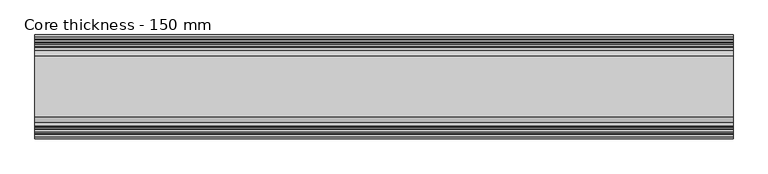
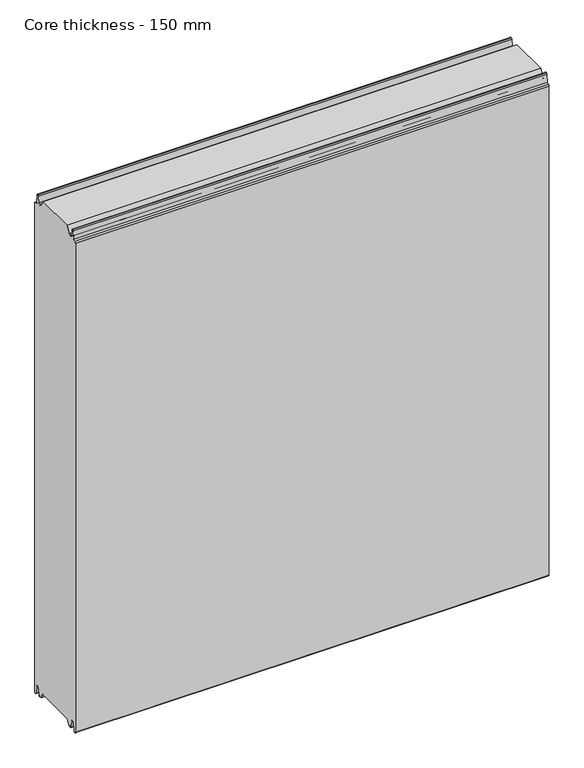
"""IFC4 building model written with IfcOpenShell, lengths in millimetres: plate geometry, Core thickness - 150 mm."""

from ifc_helpers import new_model, si_unit, frame, origin, place, context, project, spatial, polyline, circle_curve, source, transform, mapped, element, save
from ifc_brep_helpers import plane_surface, cylinder_surface, revolved_surface, advanced_brep


def core_thickness_150_mm_d4bca5d6(model_context):
    return source(origin(), model_context, "Body", "AdvancedBrep", [
        advanced_brep(
        [(500.0000002, -119.873448, 15.0417681), (500.0000002, -30.126552, 15.0417681), (500.0000002, -23.4086055, 3.0684055), (500.0000002, -17.4169005, 3.0684055), (500.0000002, -19.6169005, 5.265779), (500.0000002, -18.8169005, 5.265779), (500.0000002, -16.0235822, 5.1291629), (500.0000002, -14.6379549, 19.2608832), (500.0000002, -10.8223285, 22.6899182), (500.0000002, -7.0067021, 19.2608832), (500.0000002, -5.3893281, 2.7656275), (500.0000002, -0.8003051, 2.9900682), (500.0000002, -0.8, 1093.8000005), (500.0000002, -3.3660185, 1096.1942726), (500.0000002, -6.8790665, 1099.1779769), (500.0000002, -8.5415667, 1116.1334653), (500.0000002, -10.8223285, 1118.1999998), (500.0000002, -13.1030903, 1116.1334653), (500.0000002, -14.4357929, 1102.5415123), (500.0000002, -17.0233841, 1100.1952279), (500.0000002, -18.1003051, 1100.1952279), (500.0000002, -18.7003051, 1099.5952279), (500.0000002, -18.7003051, 1098.4952279), (500.0000002, -19.5003051, 1098.4952279), (500.0000002, -19.5003051, 1099.5952279), (500.0000002, -18.1003051, 1100.9952279), (500.0000002, -19.5003051, 1100.9952279), (500.0000002, -23.1062917, 1100.9952279), (500.0000002, -31.1628062, 1115.044651), (500.0000002, -118.7531937, 1115.044651), (500.0000002, -126.8937083, 1100.9952279), (500.0000002, -130.4996949, 1100.9952279), (500.0000002, -131.8996949, 1100.9952279), (500.0000002, -130.4996949, 1099.5952279), (500.0000002, -130.4996949, 1098.4952279), (500.0000002, -131.2996949, 1098.4952279), (500.0000002, -131.2996949, 1099.5952279), (500.0000002, -131.8996949, 1100.1952279), (500.0000002, -132.9766159, 1100.1952279), (500.0000002, -135.5642071, 1102.5415123), (500.0000002, -136.8969097, 1116.1334653), (500.0000002, -139.1776715, 1118.1999998), (500.0000002, -141.4584333, 1116.1334653), (500.0000002, -143.1209335, 1099.1779769), (500.0000002, -146.6330399, 1096.2078763), (500.0000002, -149.1996949, 1093.8000005), (500.0000002, -149.2, 2.9900682), (500.0000002, -144.6106719, 2.7656275), (500.0000002, -142.9932979, 19.2608832), (500.0000002, -139.1776715, 22.6899182), (500.0000002, -135.3620451, 19.2608832), (500.0000002, -133.9764178, 5.1291629), (500.0000002, -131.1830995, 5.265779), (500.0000002, -130.3830995, 5.265779), (500.0000002, -132.5830995, 3.065779), (500.0000002, -126.5913945, 3.0684055), (-500.0000002, -126.8937083, 1100.9952279), (-500.0000002, -118.7531937, 1115.044651), (-500.0000002, -31.1628062, 1115.044651), (-500.0000002, -23.1062917, 1100.9952279), (-500.0000002, -19.5003051, 1100.9952279), (-500.0000002, -18.1003051, 1100.9952279), (-500.0000002, -19.5003051, 1099.5952279), (-500.0000002, -19.5003051, 1098.4952279), (-500.0000002, -18.7003051, 1098.4952279), (-500.0000002, -18.7003051, 1099.5952279), (-500.0000002, -18.1003051, 1100.1952279), (-500.0000002, -17.0233841, 1100.1952279), (-500.0000002, -14.4357929, 1102.5415123), (-500.0000002, -13.1030903, 1116.1334653), (-500.0000002, -10.8223285, 1118.1999998), (-500.0000002, -8.5415667, 1116.1334653), (-500.0000002, -6.8790665, 1099.1779769), (-500.0000002, -3.3669601, 1096.2078763), (-500.0000002, -0.8003051, 1093.8000005), (-500.0000002, -0.8, 2.9900682), (-500.0000002, -5.3893281, 2.7656275), (-500.0000002, -7.0067021, 19.2608832), (-500.0000002, -10.8223285, 22.6899182), (-500.0000002, -14.6379549, 19.2608832), (-500.0000002, -16.0235822, 5.1291629), (-500.0000002, -18.8169005, 5.265779), (-500.0000002, -19.6169005, 5.265779), (-500.0000002, -17.4169005, 3.065779), (-500.0000002, -23.4086055, 3.0684055), (-500.0000002, -30.126552, 15.0417681), (-500.0000002, -119.873448, 15.0417681), (-500.0000002, -126.5913945, 3.0684055), (-500.0000002, -132.5830995, 3.0684055), (-500.0000002, -130.3830995, 5.265779), (-500.0000002, -131.1830995, 5.265779), (-500.0000002, -133.9764178, 5.1291629), (-500.0000002, -135.3620451, 19.2608832), (-500.0000002, -139.1776715, 22.6899182), (-500.0000002, -142.9932979, 19.2608832), (-500.0000002, -144.6106719, 2.7656275), (-500.0000002, -149.1996949, 2.9900682), (-500.0000002, -149.2, 1093.8000005), (-500.0000002, -146.6339815, 1096.1942726), (-500.0000002, -143.1209335, 1099.1779769), (-500.0000002, -141.4584333, 1116.1334653), (-500.0000002, -139.1776715, 1118.1999998), (-500.0000002, -136.8969097, 1116.1334653), (-500.0000002, -135.5642071, 1102.5415123), (-500.0000002, -132.9766159, 1100.1952279), (-500.0000002, -131.8996949, 1100.1952279), (-500.0000002, -131.2996949, 1099.5952279), (-500.0000002, -131.2996949, 1098.4952279), (-500.0000002, -130.4996949, 1098.4952279), (-500.0000002, -130.4996949, 1099.5952279), (-500.0000002, -131.8996949, 1100.9952279), (-500.0000002, -130.4996949, 1100.9952279)],
        [
            (0, 1),
            (1, 2),
            (2, 3),
            (3, 4, circle_curve(frame((500.0000002, -17.4169005, 5.265779), z_axis=(-1.0, 0.0, 0.0), x_axis=(0.0, 0.0, -1.0)), 2.2)),
            (4, 5),
            (5, 6, circle_curve(frame((500.0000002, -17.4169005, 5.265779), z_axis=(1.0, 0.0, 0.0), x_axis=(0.0, 0.0, -1.0)), 1.4)),
            (6, 7),
            (7, 8, circle_curve(frame((500.0000002, -10.8560907, 18.8900682), z_axis=(-1.0, 0.0, 0.0), x_axis=(0.0, 0.0, -1.0)), 3.8)),
            (8, 9, circle_curve(frame((500.0000002, -10.7885662, 18.8900682), z_axis=(-1.0, 0.0, 0.0), x_axis=(0.0, 0.0, -1.0)), 3.8)),
            (9, 10),
            (10, 11, circle_curve(frame((500.0000002, -3.1003051, 2.9900682), z_axis=(1.0, 0.0, 0.0), x_axis=(0.0, 0.0, -1.0)), 2.3)),
            (11, 12),
            (12, 13, circle_curve(frame((500.0000002, -3.2003051, 1093.8000005), z_axis=(1.0, 0.0, 0.0), x_axis=(0.0, 0.0, -1.0)), 2.4)),
            (13, 14, circle_curve(frame((500.0000002, -3.5948161, 1099.5000005), z_axis=(-1.0, 0.0, 0.0), x_axis=(0.0, 0.0, -1.0)), 3.3)),
            (14, 15),
            (15, 16, circle_curve(frame((500.0000002, -10.8206374, 1115.9100005), z_axis=(1.0, 0.0, 0.0), x_axis=(0.0, 0.0, -1.0)), 2.29)),
            (16, 17, circle_curve(frame((500.0000002, -10.8240195, 1115.9100005), z_axis=(1.0, 0.0, 0.0), x_axis=(0.0, 0.0, -1.0)), 2.29)),
            (17, 18),
            (18, 19, circle_curve(frame((500.0000002, -17.0233841, 1102.7952279), z_axis=(-1.0, 0.0, 0.0), x_axis=(0.0, 0.0, -1.0)), 2.6)),
            (19, 20),
            (20, 21, circle_curve(frame((500.0000002, -18.1003051, 1099.5952279), z_axis=(1.0, 0.0, 0.0), x_axis=(0.0, 0.0, -1.0)), 0.6)),
            (21, 22),
            (22, 23),
            (23, 24),
            (24, 25, circle_curve(frame((500.0000002, -18.1003051, 1099.5952279), z_axis=(-1.0, 0.0, 0.0), x_axis=(0.0, 0.0, -1.0)), 1.4)),
            (25, 26),
            (26, 27),
            (27, 28),
            (28, 29),
            (29, 30),
            (30, 31),
            (31, 32),
            (32, 33, circle_curve(frame((500.0000002, -131.8996949, 1099.5952279), z_axis=(-1.0, 0.0, 0.0), x_axis=(0.0, 0.0, -1.0)), 1.4)),
            (33, 34),
            (34, 35),
            (35, 36),
            (36, 37, circle_curve(frame((500.0000002, -131.8996949, 1099.5952279), z_axis=(1.0, 0.0, 0.0), x_axis=(0.0, 0.0, -1.0)), 0.6)),
            (37, 38),
            (38, 39, circle_curve(frame((500.0000002, -132.9766159, 1102.7952279), z_axis=(-1.0, 0.0, 0.0), x_axis=(0.0, 0.0, -1.0)), 2.6)),
            (39, 40),
            (40, 41, circle_curve(frame((500.0000002, -139.1759805, 1115.9100005), z_axis=(1.0, 0.0, 0.0), x_axis=(0.0, 0.0, -1.0)), 2.29)),
            (41, 42, circle_curve(frame((500.0000002, -139.1793626, 1115.9100005), z_axis=(1.0, 0.0, 0.0), x_axis=(0.0, 0.0, -1.0)), 2.29)),
            (42, 43),
            (43, 44, circle_curve(frame((500.0000002, -146.4051839, 1099.5000005), z_axis=(-1.0, 0.0, 0.0), x_axis=(0.0, 0.0, -1.0)), 3.3)),
            (44, 45, circle_curve(frame((500.0000002, -146.7996949, 1093.8000005), z_axis=(1.0, 0.0, 0.0), x_axis=(0.0, 0.0, -1.0)), 2.4)),
            (45, 46),
            (46, 47, circle_curve(frame((500.0000002, -146.8996949, 2.9900682), z_axis=(1.0, 0.0, 0.0), x_axis=(0.0, 0.0, -1.0)), 2.3)),
            (47, 48),
            (48, 49, circle_curve(frame((500.0000002, -139.2114338, 18.8900682), z_axis=(-1.0, 0.0, 0.0), x_axis=(0.0, 0.0, -1.0)), 3.8)),
            (49, 50, circle_curve(frame((500.0000002, -139.1439093, 18.8900682), z_axis=(-1.0, 0.0, 0.0), x_axis=(0.0, 0.0, -1.0)), 3.8)),
            (50, 51),
            (51, 52, circle_curve(frame((500.0000002, -132.5830995, 5.265779), z_axis=(1.0, 0.0, 0.0), x_axis=(0.0, 0.0, -1.0)), 1.4)),
            (52, 53),
            (53, 54, circle_curve(frame((500.0000002, -132.5830995, 5.265779), z_axis=(-1.0, 0.0, 0.0), x_axis=(0.0, 0.0, -1.0)), 2.2)),
            (54, 55),
            (55, 0),
            (56, 57),
            (57, 58),
            (58, 59),
            (59, 60),
            (60, 61),
            (61, 62, circle_curve(frame((-500.0000002, -18.1003051, 1099.5952279), z_axis=(1.0, 0.0, 0.0), x_axis=(0.0, 0.0, -1.0)), 1.4)),
            (62, 63),
            (63, 64),
            (64, 65),
            (65, 66, circle_curve(frame((-500.0000002, -18.1003051, 1099.5952279), z_axis=(-1.0, 0.0, 0.0), x_axis=(0.0, 0.0, -1.0)), 0.6)),
            (66, 67),
            (67, 68, circle_curve(frame((-500.0000002, -17.0233841, 1102.7952279), z_axis=(1.0, 0.0, 0.0), x_axis=(0.0, 0.0, -1.0)), 2.6)),
            (68, 69),
            (69, 70, circle_curve(frame((-500.0000002, -10.8240195, 1115.9100005), z_axis=(-1.0, 0.0, 0.0), x_axis=(0.0, 0.0, -1.0)), 2.29)),
            (70, 71, circle_curve(frame((-500.0000002, -10.8206374, 1115.9100005), z_axis=(-1.0, 0.0, 0.0), x_axis=(0.0, 0.0, -1.0)), 2.29)),
            (71, 72),
            (72, 73, circle_curve(frame((-500.0000002, -3.5948161, 1099.5000005), z_axis=(1.0, 0.0, 0.0), x_axis=(0.0, 0.0, -1.0)), 3.3)),
            (73, 74, circle_curve(frame((-500.0000002, -3.2003051, 1093.8000005), z_axis=(-1.0, 0.0, 0.0), x_axis=(0.0, 0.0, -1.0)), 2.4)),
            (74, 75),
            (75, 76, circle_curve(frame((-500.0000002, -3.1003051, 2.9900682), z_axis=(-1.0, 0.0, 0.0), x_axis=(0.0, 0.0, -1.0)), 2.3)),
            (76, 77),
            (77, 78, circle_curve(frame((-500.0000002, -10.7885662, 18.8900682), z_axis=(1.0, 0.0, 0.0), x_axis=(0.0, 0.0, -1.0)), 3.8)),
            (78, 79, circle_curve(frame((-500.0000002, -10.8560907, 18.8900682), z_axis=(1.0, 0.0, 0.0), x_axis=(0.0, 0.0, -1.0)), 3.8)),
            (79, 80),
            (80, 81, circle_curve(frame((-500.0000002, -17.4169005, 5.265779), z_axis=(-1.0, 0.0, 0.0), x_axis=(0.0, 0.0, -1.0)), 1.4)),
            (81, 82),
            (82, 83, circle_curve(frame((-500.0000002, -17.4169005, 5.265779), z_axis=(1.0, 0.0, 0.0), x_axis=(0.0, 0.0, -1.0)), 2.2)),
            (83, 84),
            (84, 85),
            (85, 86),
            (86, 87),
            (87, 88),
            (88, 89, circle_curve(frame((-500.0000002, -132.5830995, 5.265779), z_axis=(1.0, 0.0, 0.0), x_axis=(0.0, 0.0, -1.0)), 2.2)),
            (89, 90),
            (90, 91, circle_curve(frame((-500.0000002, -132.5830995, 5.265779), z_axis=(-1.0, 0.0, 0.0), x_axis=(0.0, 0.0, -1.0)), 1.4)),
            (91, 92),
            (92, 93, circle_curve(frame((-500.0000002, -139.1439093, 18.8900682), z_axis=(1.0, 0.0, 0.0), x_axis=(0.0, 0.0, -1.0)), 3.8)),
            (93, 94, circle_curve(frame((-500.0000002, -139.2114338, 18.8900682), z_axis=(1.0, 0.0, 0.0), x_axis=(0.0, 0.0, -1.0)), 3.8)),
            (94, 95),
            (95, 96, circle_curve(frame((-500.0000002, -146.8996949, 2.9900682), z_axis=(-1.0, 0.0, 0.0), x_axis=(0.0, 0.0, -1.0)), 2.3)),
            (96, 97),
            (97, 98, circle_curve(frame((-500.0000002, -146.7996949, 1093.8000005), z_axis=(-1.0, 0.0, 0.0), x_axis=(0.0, 0.0, -1.0)), 2.4)),
            (98, 99, circle_curve(frame((-500.0000002, -146.4051839, 1099.5000005), z_axis=(1.0, 0.0, 0.0), x_axis=(0.0, 0.0, -1.0)), 3.3)),
            (99, 100),
            (100, 101, circle_curve(frame((-500.0000002, -139.1793626, 1115.9100005), z_axis=(-1.0, 0.0, 0.0), x_axis=(0.0, 0.0, -1.0)), 2.29)),
            (101, 102, circle_curve(frame((-500.0000002, -139.1759805, 1115.9100005), z_axis=(-1.0, 0.0, 0.0), x_axis=(0.0, 0.0, -1.0)), 2.29)),
            (102, 103),
            (103, 104, circle_curve(frame((-500.0000002, -132.9766159, 1102.7952279), z_axis=(1.0, 0.0, 0.0), x_axis=(0.0, 0.0, -1.0)), 2.6)),
            (104, 105),
            (105, 106, circle_curve(frame((-500.0000002, -131.8996949, 1099.5952279), z_axis=(-1.0, 0.0, 0.0), x_axis=(0.0, 0.0, -1.0)), 0.6)),
            (106, 107),
            (107, 108),
            (108, 109),
            (109, 110, circle_curve(frame((-500.0000002, -131.8996949, 1099.5952279), z_axis=(1.0, 0.0, 0.0), x_axis=(0.0, 0.0, -1.0)), 1.4)),
            (110, 111),
            (111, 56),
            (30, 56),
            (110, 32),
            (29, 57),
            (28, 58),
            (27, 59),
            (25, 61),
            (1, 85),
            (84, 2),
            (0, 86),
            (55, 87),
            (83, 3),
            (54, 88),
            (109, 33),
            (108, 34),
            (107, 35),
            (106, 36),
            (105, 37),
            (104, 38),
            (103, 39),
            (102, 40),
            (101, 41),
            (100, 42),
            (99, 43),
            (98, 44),
            (97, 45),
            (96, 46),
            (95, 47),
            (94, 48),
            (93, 49),
            (92, 50),
            (91, 51),
            (90, 52),
            (89, 53),
            (74, 12),
            (11, 75),
            (73, 13),
            (72, 14),
            (71, 15),
            (70, 16),
            (69, 17),
            (68, 18),
            (67, 19),
            (66, 20),
            (65, 21),
            (64, 22),
            (63, 23),
            (62, 24),
            (82, 4),
            (81, 5),
            (80, 6),
            (79, 7),
            (78, 8),
            (77, 9),
            (76, 10),
        ],
        [
            plane_surface(frame((500.0000002, 0.0, 0.0), z_axis=(1.0, 0.0, 0.0), x_axis=(0.0, -1.0, 0.0))),
            plane_surface(frame((-500.0000002, 0.0, 0.0), z_axis=(-1.0, 0.0, 0.0), x_axis=(0.0, -1.0, 0.0))),
            plane_surface(frame((500.0000002, -126.8937083, 1100.9952279), z_axis=(0.0, 0.0, 1.0), x_axis=(-1.0, 0.0, 0.0))),
            plane_surface(frame((500.0000002, -118.7531937, 1115.044651), z_axis=(0.0, -0.8652489672717164, 0.5013424225369607), x_axis=(-1.0, 0.0, 0.0))),
            plane_surface(frame((500.0000002, -31.1628062, 1115.044651), z_axis=(0.0, 0.0, 1.0), x_axis=(-1.0, 0.0, 0.0))),
            plane_surface(frame((500.0000002, -23.1062917, 1100.9952279), z_axis=(0.0, 0.8674901459133322, 0.4974543664933155), x_axis=(-1.0, 0.0, 0.0))),
            plane_surface(frame((500.0000002, -17.0229218, 1100.9952279), z_axis=(0.0, 0.0, 1.0), x_axis=(-1.0, 0.0, 0.0))),
            plane_surface(frame((500.0000002, -30.126552, 15.0417681), z_axis=(0.0, -0.8721062992196836, -0.4893164649399687), x_axis=(-1.0, 0.0, 0.0))),
            plane_surface(frame((500.0000002, -119.873448, 15.0417681), z_axis=(0.0, 0.0, -1.0), x_axis=(-1.0, 0.0, 0.0))),
            plane_surface(frame((500.0000002, -126.8190247, 2.6627014), z_axis=(0.0, 0.8721062992196852, -0.48931646493996606), x_axis=(-1.0, 0.0, 0.0))),
            plane_surface(frame((-500.0000002, -132.5830995, 3.0684055), z_axis=(0.0, 0.0, -1.0), x_axis=(1.0, 0.0, 0.0))),
            revolved_surface(polyline([(500.0000002, -131.8996949, 1098.1952279), (-500.00000020000004, -131.8996949, 1098.1952279)]), (630.0000002, -131.8996949, 1099.5952279), (1.0, 0.0, 0.0)),
            plane_surface(frame((630.0000002, -130.4996949, 1098.4952279), z_axis=(0.0, -1.0, 0.0), x_axis=(-1.0, 0.0, 0.0))),
            plane_surface(frame((630.0000002, -131.2996949, 1098.4952279), z_axis=(0.0, 0.0, 1.0), x_axis=(-1.0, 0.0, 0.0))),
            plane_surface(frame((630.0000002, -131.2996949, 1099.5952279), z_axis=(0.0, 1.0, 0.0), x_axis=(-1.0, 0.0, 0.0))),
            cylinder_surface(frame((630.0000002, -131.8996949, 1099.5952279), z_axis=(-1.0, 0.0, 0.0), x_axis=(0.0, 0.0, -1.0)), 0.6),
            plane_surface(frame((630.0000002, -132.9766159, 1100.1952279), z_axis=(0.0, 0.0, 1.0), x_axis=(-1.0, 0.0, 0.0))),
            revolved_surface(polyline([(500.0000002, -132.9766159, 1100.1952279000002), (-500.00000020000004, -132.9766159, 1100.1952279000002)]), (630.0000002, -132.9766159, 1102.7952279), (1.0, 0.0, 0.0)),
            plane_surface(frame((630.0000002, -136.8969097, 1116.1334653), z_axis=(0.0, 0.9952273999818314, 0.09758289975914705), x_axis=(-1.0, 0.0, 0.0))),
            cylinder_surface(frame((630.0000002, -139.1759805, 1115.9100005), z_axis=(-1.0, 0.0, 0.0), x_axis=(0.0, 0.0, -1.0)), 2.29),
            cylinder_surface(frame((630.0000002, -139.1793626, 1115.9100005), z_axis=(-1.0, 0.0, 0.0), x_axis=(0.0, 0.0, -1.0)), 2.29),
            plane_surface(frame((630.0000002, -143.1209335, 1099.1779769), z_axis=(0.0, -0.9952273999818317, 0.09758289975914436), x_axis=(-1.0, 0.0, 0.0))),
            revolved_surface(polyline([(500.0000002, -146.4051839, 1096.2000005), (-500.00000020000004, -146.4051839, 1096.2000005)]), (630.0000002, -146.4051839, 1099.5000005), (1.0, 0.0, 0.0)),
            cylinder_surface(frame((630.0000002, -146.7996949, 1093.8000005), z_axis=(-1.0, 0.0, 0.0), x_axis=(0.0, 0.0, -1.0)), 2.4),
            plane_surface(frame((630.0000002, -149.2, 2.9900682), z_axis=(0.0, -1.0, 0.0), x_axis=(-1.0, 0.0, 0.0))),
            cylinder_surface(frame((630.0000002, -146.8996949, 2.9900682), z_axis=(-1.0, 0.0, 0.0), x_axis=(0.0, 0.0, -1.0)), 2.3),
            plane_surface(frame((630.0000002, -142.9932979, 19.2608832), z_axis=(0.0, 0.9952273999818314, -0.09758289975914787), x_axis=(-1.0, 0.0, 0.0))),
            revolved_surface(polyline([(500.0000002, -139.2114338, 15.090068200000001), (-500.00000020000004, -139.2114338, 15.090068200000001)]), (630.0000002, -139.2114338, 18.8900682), (1.0, 0.0, 0.0)),
            revolved_surface(polyline([(500.0000002, -139.1439093, 15.090068200000001), (-500.00000020000004, -139.1439093, 15.090068200000001)]), (630.0000002, -139.1439093, 18.8900682), (1.0, 0.0, 0.0)),
            plane_surface(frame((630.0000002, -133.9764178, 5.1291629), z_axis=(0.0, -0.9952273999818297, -0.09758289975916531), x_axis=(-1.0, 0.0, 0.0))),
            cylinder_surface(frame((630.0000002, -132.5830995, 5.265779), z_axis=(-1.0, 0.0, 0.0), x_axis=(0.0, 0.0, -1.0)), 1.4),
            plane_surface(frame((630.0000002, -130.3830995, 5.265779), z_axis=(0.0, 0.0, -1.0), x_axis=(-1.0, 0.0, 0.0))),
            revolved_surface(polyline([(500.0000002, -132.5830995, 3.065779), (-500.00000020000004, -132.5830995, 3.065779)]), (630.0000002, -132.5830995, 5.265779), (1.0, 0.0, 0.0)),
            plane_surface(frame((630.0000002, -0.8, 1093.8000005), z_axis=(0.0, 1.0, 0.0), x_axis=(-1.0, 0.0, 0.0))),
            cylinder_surface(frame((630.0000002, -3.2003051, 1093.8000005), z_axis=(-1.0, 0.0, 0.0), x_axis=(0.0, 0.0, -1.0)), 2.4),
            revolved_surface(polyline([(500.0000002, -3.5948161, 1096.2000005), (-500.00000020000004, -3.5948161, 1096.2000005)]), (630.0000002, -3.5948161, 1099.5000005), (1.0, 0.0, 0.0)),
            plane_surface(frame((630.0000002, -8.5415667, 1116.1334653), z_axis=(0.0, 0.9952273999818317, 0.09758289975914436), x_axis=(-1.0, 0.0, 0.0))),
            cylinder_surface(frame((630.0000002, -10.8206374, 1115.9100005), z_axis=(-1.0, 0.0, 0.0), x_axis=(0.0, 0.0, -1.0)), 2.29),
            cylinder_surface(frame((630.0000002, -10.8240195, 1115.9100005), z_axis=(-1.0, 0.0, 0.0), x_axis=(0.0, 0.0, -1.0)), 2.29),
            plane_surface(frame((630.0000002, -14.4357929, 1102.5415123), z_axis=(0.0, -0.9952273999818314, 0.09758289975914705), x_axis=(-1.0, 0.0, 0.0))),
            revolved_surface(polyline([(500.0000002, -17.0233841, 1100.1952279000002), (-500.00000020000004, -17.0233841, 1100.1952279000002)]), (630.0000002, -17.0233841, 1102.7952279), (1.0, 0.0, 0.0)),
            plane_surface(frame((630.0000002, -18.1003051, 1100.1952279), z_axis=(0.0, 0.0, 1.0), x_axis=(-1.0, 0.0, 0.0))),
            cylinder_surface(frame((630.0000002, -18.1003051, 1099.5952279), z_axis=(-1.0, 0.0, 0.0), x_axis=(0.0, 0.0, -1.0)), 0.6),
            plane_surface(frame((630.0000002, -18.7003051, 1098.4952279), z_axis=(0.0, -1.0, 0.0), x_axis=(-1.0, 0.0, 0.0))),
            plane_surface(frame((630.0000002, -19.5003051, 1098.4952279), z_axis=(0.0, 0.0, 1.0), x_axis=(-1.0, 0.0, 0.0))),
            plane_surface(frame((630.0000002, -19.5003051, 1099.5952279), z_axis=(0.0, 1.0, 0.0), x_axis=(-1.0, 0.0, 0.0))),
            revolved_surface(polyline([(500.0000002, -18.1003051, 1098.1952279), (-500.00000020000004, -18.1003051, 1098.1952279)]), (630.0000002, -18.1003051, 1099.5952279), (1.0, 0.0, 0.0)),
            revolved_surface(polyline([(500.0000002, -17.4169005, 3.065779), (-500.00000020000004, -17.4169005, 3.065779)]), (630.0000002, -17.4169005, 5.265779), (1.0, 0.0, 0.0)),
            plane_surface(frame((630.0000002, -18.8169005, 5.265779), z_axis=(0.0, 0.0, -1.0), x_axis=(-1.0, 0.0, 0.0))),
            cylinder_surface(frame((630.0000002, -17.4169005, 5.265779), z_axis=(-1.0, 0.0, 0.0), x_axis=(0.0, 0.0, -1.0)), 1.4),
            plane_surface(frame((630.0000002, -14.6379549, 19.2608832), z_axis=(0.0, 0.9952273999818297, -0.09758289975916531), x_axis=(-1.0, 0.0, 0.0))),
            revolved_surface(polyline([(500.0000002, -10.8560907, 15.090068200000001), (-500.00000020000004, -10.8560907, 15.090068200000001)]), (630.0000002, -10.8560907, 18.8900682), (1.0, 0.0, 0.0)),
            revolved_surface(polyline([(500.0000002, -10.7885662, 15.090068200000001), (-500.00000020000004, -10.7885662, 15.090068200000001)]), (630.0000002, -10.7885662, 18.8900682), (1.0, 0.0, 0.0)),
            plane_surface(frame((630.0000002, -5.3893281, 2.7656275), z_axis=(0.0, -0.9952273999818314, -0.09758289975914787), x_axis=(-1.0, 0.0, 0.0))),
            cylinder_surface(frame((630.0000002, -3.1003051, 2.9900682), z_axis=(-1.0, 0.0, 0.0), x_axis=(0.0, 0.0, -1.0)), 2.3),
        ],
        [
            (0, [[1, 2, 3, 4, 5, 6, 7, 8, 9, 10, 11, 12, 13, 14, 15, 16, 17, 18, 19, 20, 21, 22, 23, 24, 25, 26, 27, 28, 29, 30, 31, 32, 33, 34, 35, 36, 37, 38, 39, 40, 41, 42, 43, 44, 45, 46, 47, 48, 49, 50, 51, 52, 53, 54, 55, 56]]),
            (1, [[57, 58, 59, 60, 61, 62, 63, 64, 65, 66, 67, 68, 69, 70, 71, 72, 73, 74, 75, 76, 77, 78, 79, 80, 81, 82, 83, 84, 85, 86, 87, 88, 89, 90, 91, 92, 93, 94, 95, 96, 97, 98, 99, 100, 101, 102, 103, 104, 105, 106, 107, 108, 109, 110, 111, 112]]),
            (2, [[113, -112, -111, 114, -32, -31]]),
            (3, [[-30, 115, -57, -113]]),
            (4, [[-29, 116, -58, -115]]),
            (5, [[-28, 117, -59, -116]]),
            (6, [[-117, -27, -26, 118, -61, -60]]),
            (7, [[119, -85, 120, -2]]),
            (8, [[-1, 121, -86, -119]]),
            (9, [[-121, -56, 122, -87]]),
            (10, [[-3, -120, -84, 123]]),
            (10, [[-55, 124, -88, -122]]),
            (11, [[125, -33, -114, -110]]),
            (12, [[-125, -109, 126, -34]]),
            (13, [[-126, -108, 127, -35]]),
            (14, [[-127, -107, 128, -36]]),
            (15, [[-128, -106, 129, -37]]),
            (16, [[-129, -105, 130, -38]]),
            (17, [[-130, -104, 131, -39]]),
            (18, [[-131, -103, 132, -40]]),
            (19, [[-132, -102, 133, -41]]),
            (20, [[-133, -101, 134, -42]]),
            (21, [[-134, -100, 135, -43]]),
            (22, [[-135, -99, 136, -44]]),
            (23, [[-136, -98, 137, -45]]),
            (24, [[-137, -97, 138, -46]]),
            (25, [[-138, -96, 139, -47]]),
            (26, [[-139, -95, 140, -48]]),
            (27, [[-140, -94, 141, -49]]),
            (28, [[-141, -93, 142, -50]]),
            (29, [[-142, -92, 143, -51]]),
            (30, [[-143, -91, 144, -52]]),
            (31, [[-144, -90, 145, -53]]),
            (32, [[-145, -89, -124, -54]]),
            (33, [[146, -12, 147, -75]]),
            (34, [[-146, -74, 148, -13]]),
            (35, [[-148, -73, 149, -14]]),
            (36, [[-149, -72, 150, -15]]),
            (37, [[-150, -71, 151, -16]]),
            (38, [[-151, -70, 152, -17]]),
            (39, [[-152, -69, 153, -18]]),
            (40, [[-153, -68, 154, -19]]),
            (41, [[-154, -67, 155, -20]]),
            (42, [[-155, -66, 156, -21]]),
            (43, [[-156, -65, 157, -22]]),
            (44, [[-157, -64, 158, -23]]),
            (45, [[-158, -63, 159, -24]]),
            (46, [[-159, -62, -118, -25]]),
            (47, [[160, -4, -123, -83]]),
            (48, [[-160, -82, 161, -5]]),
            (49, [[-161, -81, 162, -6]]),
            (50, [[-162, -80, 163, -7]]),
            (51, [[-163, -79, 164, -8]]),
            (52, [[-164, -78, 165, -9]]),
            (53, [[-165, -77, 166, -10]]),
            (54, [[-166, -76, -147, -11]]),
        ],
    ),
    ])


if __name__ == "__main__":
    model = new_model("IFC4")
    model_context = context("Model", 3, world=origin())
    ifc_project = project(units=[si_unit("LENGTHUNIT", "METRE", prefix="MILLI")], contexts=[model_context])
    site = spatial("IfcSite", under=ifc_project)
    building = spatial("IfcBuilding", under=site)
    placement = place(None, origin())
    core_thickness_150_mm_shape = core_thickness_150_mm_d4bca5d6(model_context)
    element("IfcPlate", 1, ObjectType="Core thickness - 150 mm", at=placement, inside=building, context=model_context, shape_type="MappedRepresentation", body=[
        mapped(core_thickness_150_mm_shape, transform((0.0, 0.0, 0.0), x_axis=(1.0, 0.0, 0.0), y_axis=(0.0, 1.0, 0.0), z_axis=(0.0, 0.0, 1.0))),
    ])
    save(model, "model.ifc")
